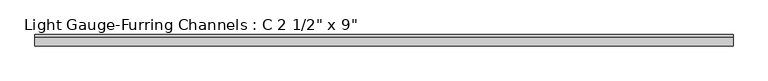
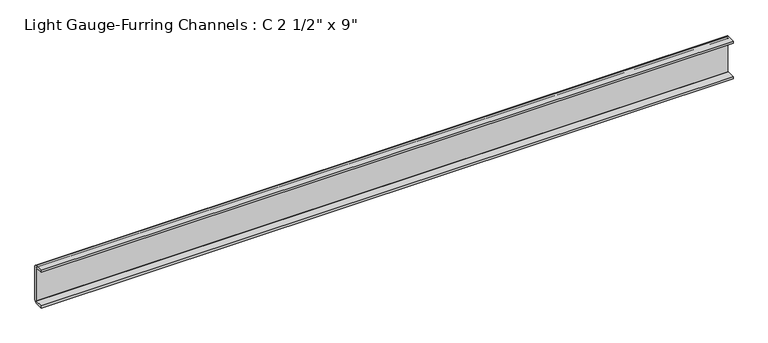
"""IFC4 building model written with IfcOpenShell, lengths in millimetres: beam geometry."""

from ifc_helpers import new_model, si_unit, point, frame, frame_2d, origin, place, context, project, spatial, polyline, circle_curve, trimmed, segment, composite_curve, outline, extrude, source, transform, mapped, element, save


def beam_556b9ece(model_context):
    return source(origin(), model_context, "Body", "SweptSolid", [
        extrude(outline(composite_curve([segment(trimmed(circle_curve(frame_2d((-14.2875, -100.0125)), 14.2875), [point((0.0, -100.0125))], [point((-14.2875, -114.3))], False, "CARTESIAN"), True, "CONTINUOUS"), segment(polyline([(-14.2875, -114.3), (-63.5, -114.3), (-63.5, -101.6), (-14.2875, -101.6)]), True, "CONTINUOUS"), segment(trimmed(circle_curve(frame_2d((-14.2875, -100.0125)), 1.5875), [point((-14.2875, -101.6))], [point((-12.7, -100.0125))], True, "CARTESIAN"), True, "CONTINUOUS"), segment(polyline([(-12.7, -100.0125), (-12.7, 100.0125)]), True, "CONTINUOUS"), segment(trimmed(circle_curve(frame_2d((-14.2875, 100.0125)), 1.5875), [point((-12.7, 100.0125))], [point((-14.2875, 101.6))], True, "CARTESIAN"), True, "CONTINUOUS"), segment(polyline([(-14.2875, 101.6), (-63.5, 101.6), (-63.5, 114.3), (-14.2875, 114.3)]), True, "CONTINUOUS"), segment(trimmed(circle_curve(frame_2d((-14.2875, 100.0125)), 14.2875), [point((-14.2875, 114.3))], [point((0.0, 100.0125))], False, "CARTESIAN"), True, "CONTINUOUS"), segment(polyline([(0.0, 100.0125), (0.0, -100.0125)]), True, "CONTINUOUS")], self_intersect=False)), frame((-1983.2449964, 0.0, 0.0), z_axis=(1.0, 0.0, 0.0), x_axis=(0.0, 1.0, 0.0)), (0.0, 0.0, 1.0), 3966.4899928),
    ])


if __name__ == "__main__":
    model = new_model("IFC4")
    model_context = context("Model", 3, world=origin())
    ifc_project = project(units=[si_unit("LENGTHUNIT", "METRE", prefix="MILLI")], contexts=[model_context])
    site = spatial("IfcSite", under=ifc_project)
    building = spatial("IfcBuilding", under=site)
    placement = place(None, origin())
    beam_shape = beam_556b9ece(model_context)
    element("IfcBeam", 1, ObjectType="Light Gauge-Furring Channels : C 2 1/2\" x 9\"", at=placement, inside=building, context=model_context, shape_type="MappedRepresentation", body=[
        mapped(beam_shape, transform((0.0, 0.0, 0.0), x_axis=(1.0, 0.0, 0.0), y_axis=(0.0, 1.0, 0.0), z_axis=(0.0, 0.0, 1.0))),
    ])
    save(model, "model.ifc")
